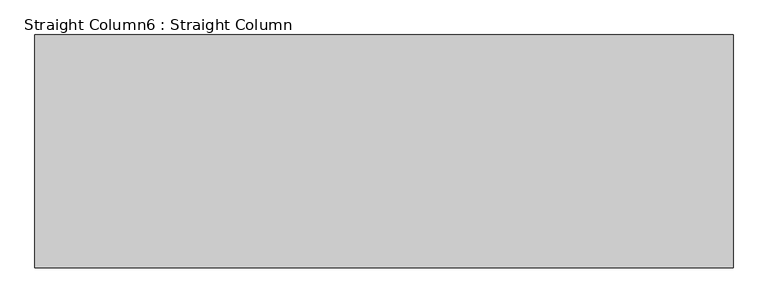
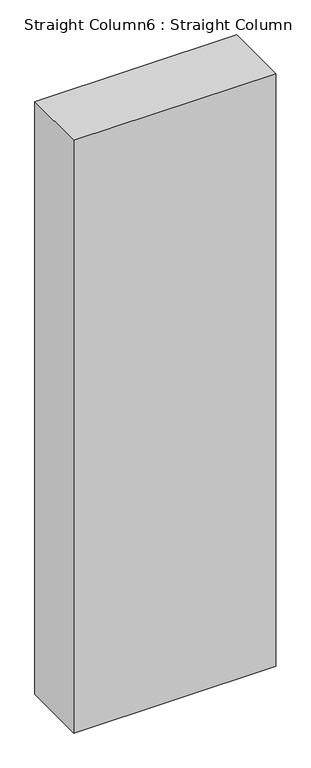
"""IFC4 building model written with IfcOpenShell, lengths in millimetres: column geometry, Straight Column6 : Straight Column."""

import ifcopenshell
import ifcopenshell.guid

model = None  # the IFC model being written
_history = None  # IfcOwnerHistory: only IFC2X3 demands one
_inside = {}  # id of a spatial element -> (the spatial element, [elements in it])
_under = {}  # id of a project, library or spatial element -> (it, [spatial elements below it])
_declared = {}  # id of a project -> (the project, [libraries it declares])
_typed = {}  # id of a type object -> (the type object, [elements of that type])
_made_of = {}  # id of a material, layer set ... -> (it, [elements and type objects made of it])


def new_model(schema):
    """Start an empty IFC model of exactly this schema.

    Asked for "IFC4X3", IfcOpenShell would pick the latest addendum, in which some entities
    have other attributes; the version numbers below select the first issue.
    IFC2X3 requires an IfcOwnerHistory on every rooted entity: one is made here for all.
    """
    global model, _history
    if schema == "IFC4X3":
        model = ifcopenshell.file(schema_version=(4, 3, 0, 0))
    else:
        model = ifcopenshell.file(schema=schema)
    _inside.clear()
    _under.clear()
    _declared.clear()
    _typed.clear()
    _made_of.clear()
    _history = None
    if model.schema == "IFC2X3":
        org = make("IfcOrganization", Name="unknown")
        user = make(
            "IfcPersonAndOrganization",
            ThePerson=make("IfcPerson", FamilyName="unknown"),
            TheOrganization=org,
        )
        app = make(
            "IfcApplication",
            ApplicationDeveloper=org,
            Version="unknown",
            ApplicationFullName="unknown",
            ApplicationIdentifier="unknown",
        )
        _history = make(
            "IfcOwnerHistory",
            OwningUser=user,
            OwningApplication=app,
            ChangeAction="ADDED",
            CreationDate=0,
        )
    return model


def make(cls, **values):
    """One entity of the class cls with the attributes given. An attribute that is None is left unset."""
    return model.create_entity(
        cls, **{name: value for name, value in values.items() if value is not None}
    )


def rooted(cls, **values):
    """An entity with a GlobalId (a new one), such as an element, a storey or a relation."""
    return make(cls, GlobalId=ifcopenshell.guid.new(), OwnerHistory=_history, **values)


def si_unit(unit_type, name, prefix=None):
    """IfcSIUnit, for example si_unit("LENGTHUNIT", "METRE", prefix="MILLI")."""
    return make("IfcSIUnit", UnitType=unit_type, Prefix=prefix, Name=name)


def assignment(units):
    """IfcUnitAssignment: the units of a project."""
    return None if units is None else make("IfcUnitAssignment", Units=units)


def point(xyz):
    """IfcCartesianPoint."""
    return None if xyz is None else make("IfcCartesianPoint", Coordinates=xyz)


def direction(xyz):
    """IfcDirection."""
    return None if xyz is None else make("IfcDirection", DirectionRatios=xyz)


def frame(location, z_axis=None, x_axis=None):
    """IfcAxis2Placement3D, a coordinate frame: its origin and axes. An axis left out is left unset."""
    return make(
        "IfcAxis2Placement3D",
        Location=point(location),
        Axis=direction(z_axis),
        RefDirection=direction(x_axis),
    )


def origin():
    """The frame at (0, 0, 0) with its axes left unset."""
    return frame((0.0, 0.0, 0.0))


def origin_with_axes():
    """The frame at (0, 0, 0) with the z axis (0, 0, 1) and the x axis (1, 0, 0) written out."""
    return frame((0.0, 0.0, 0.0), z_axis=(0.0, 0.0, 1.0), x_axis=(1.0, 0.0, 0.0))


def place(relative_to, where):
    """IfcLocalPlacement: puts the frame where relative to a parent placement (None: the world)."""
    return make(
        "IfcLocalPlacement", PlacementRelTo=relative_to, RelativePlacement=where
    )


def context(
    kind, dimensions, precision=None, world=None, true_north=None, identifier=None
):
    """IfcGeometricRepresentationContext, for example the 3D "Model" context."""
    return make(
        "IfcGeometricRepresentationContext",
        ContextIdentifier=identifier,
        ContextType=kind,
        CoordinateSpaceDimension=dimensions,
        Precision=precision,
        WorldCoordinateSystem=world,
        TrueNorth=true_north,
    )


def project(units=None, contexts=None):
    """IfcProject with its units and contexts."""
    return rooted(
        "IfcProject",
        Name="project",
        RepresentationContexts=contexts,
        UnitsInContext=assignment(units),
    )


def spatial(cls, under=None, at=None, **own):
    """A site, building, storey or space (cls), placed at a placement, below another one or the project."""
    s = rooted(cls, ObjectPlacement=at, **own)
    if under is not None:
        _under.setdefault(under.id(), (under, []))[1].append(s)
    return s


def polyline(points):
    """IfcPolyline through the points."""
    return make("IfcPolyline", Points=[point(p) for p in points])


def outline(outer, holes=None, kind="AREA"):
    """IfcArbitraryClosedProfileDef: a profile drawn as a closed curve; with holes, ...WithVoids."""
    if holes is None:
        return make("IfcArbitraryClosedProfileDef", ProfileType=kind, OuterCurve=outer)
    return make(
        "IfcArbitraryProfileDefWithVoids",
        ProfileType=kind,
        OuterCurve=outer,
        InnerCurves=holes,
    )


def extrude(swept, where, along, depth):
    """IfcExtrudedAreaSolid: the profile swept, set in the frame where, extruded along a direction by depth."""
    return make(
        "IfcExtrudedAreaSolid",
        SweptArea=swept,
        Position=where,
        ExtrudedDirection=direction(along),
        Depth=depth,
    )


def shape(context_of_items, identifier, shape_type, items):
    """IfcShapeRepresentation: the items that make up one representation, for example the "Body"."""
    return make(
        "IfcShapeRepresentation",
        ContextOfItems=context_of_items,
        RepresentationIdentifier=identifier,
        RepresentationType=shape_type,
        Items=items,
    )


def source(mapping_origin, context_of_items, identifier, shape_type, items):
    """IfcRepresentationMap: a shape defined once, which mapped items show again and again."""
    return make(
        "IfcRepresentationMap",
        MappingOrigin=mapping_origin,
        MappedRepresentation=shape(context_of_items, identifier, shape_type, items),
    )


def transform(
    local_origin,
    x_axis=None,
    y_axis=None,
    z_axis=None,
    scale=None,
    scale2=None,
    scale3=None,
    uniform=True,
):
    """IfcCartesianTransformationOperator3D, or its non-uniform kind. x_axis, y_axis, z_axis: its Axis1, 2, 3."""
    if uniform:
        return make(
            "IfcCartesianTransformationOperator3D",
            Axis1=direction(x_axis),
            Axis2=direction(y_axis),
            LocalOrigin=point(local_origin),
            Scale=scale,
            Axis3=direction(z_axis),
        )
    return make(
        "IfcCartesianTransformationOperator3DnonUniform",
        Axis1=direction(x_axis),
        Axis2=direction(y_axis),
        LocalOrigin=point(local_origin),
        Scale=scale,
        Axis3=direction(z_axis),
        Scale2=scale2,
        Scale3=scale3,
    )


def mapped(mapping_source, mapping_target):
    """IfcMappedItem: shows the shape of a source again, moved by a transform."""
    return make(
        "IfcMappedItem", MappingSource=mapping_source, MappingTarget=mapping_target
    )


def made_of(thing, what):
    """Note that an element or type object is made of a material, layer set ...; save() writes the relation."""
    if what is not None:
        _made_of.setdefault(what.id(), (what, []))[1].append(thing)
    return thing


def element(
    cls,
    number,
    at=None,
    inside=None,
    cuts=None,
    type_object=None,
    material=None,
    context=None,
    identifier="Body",
    shape_type=None,
    held_by="IfcProductDefinitionShape",
    body=None,
    shapes=None,
    **own,
):
    """One element of the class cls, such as IfcWall. Its Tag is "e" and its number.

    at: its placement. inside: the storey or other place that contains it. cuts: it is an
    opening in that element (IfcRelVoidsElement). A single representation is given by context,
    identifier, shape_type and body (its items); several are given by shapes. held_by: the class
    of the entity that holds the representations. save() writes the other relations.
    """
    e = rooted(cls, Tag="e%d" % number, ObjectPlacement=at, **own)
    if body is not None:
        shapes = [shape(context, identifier, shape_type, body)]
    if shapes is not None:
        e.Representation = make(held_by, Representations=shapes)
    if inside is not None:
        _inside.setdefault(inside.id(), (inside, []))[1].append(e)
    if cuts is not None:
        rooted(
            "IfcRelVoidsElement", RelatingBuildingElement=cuts, RelatedOpeningElement=e
        )
    if type_object is not None:
        _typed.setdefault(type_object.id(), (type_object, []))[1].append(e)
    return made_of(e, material)


def aggregate(whole, parts):
    """IfcRelAggregates: a whole, such as a stair, and the parts it consists of."""
    return rooted("IfcRelAggregates", RelatingObject=whole, RelatedObjects=parts)


def save(model, path):
    """Write the relations noted so far, then the file.

    IfcRelAggregates (storeys below a building ...), IfcRelContainedInSpatialStructure (elements
    in a storey), IfcRelDefinesByType, IfcRelAssociatesMaterial and IfcRelDeclares: one each for
    every whole, place, type object, material and project.
    """
    for whole, parts in _under.values():
        aggregate(whole, parts)
    for where, things in _inside.values():
        rooted(
            "IfcRelContainedInSpatialStructure",
            RelatedElements=things,
            RelatingStructure=where,
        )
    for kind, things in _typed.values():
        rooted("IfcRelDefinesByType", RelatedObjects=things, RelatingType=kind)
    for what, things in _made_of.values():
        rooted("IfcRelAssociatesMaterial", RelatedObjects=things, RelatingMaterial=what)
    for by, libraries in _declared.values():
        rooted("IfcRelDeclares", RelatingContext=by, RelatedDefinitions=libraries)
    model.write(path)


def straight_column6_straight_column_405299b1(model_context):
    return source(origin(), model_context, "Body", "SweptSolid", [
        extrude(outline(polyline([(11514.1531486, 624.0475818), (11514.1531486, 270.0985734), (10452.114506, 270.0985734), (10452.114506, 624.0475818), (11514.1531486, 624.0475818)])), origin_with_axes(), (0.0, 0.0, 1.0), 3295.65),
    ])


if __name__ == "__main__":
    model = new_model("IFC4")
    model_context = context("Model", 3, world=origin())
    ifc_project = project(units=[si_unit("LENGTHUNIT", "METRE", prefix="MILLI")], contexts=[model_context])
    site = spatial("IfcSite", under=ifc_project)
    building = spatial("IfcBuilding", under=site)
    placement = place(None, origin())
    straight_column6_straight_column_shape = straight_column6_straight_column_405299b1(model_context)
    element("IfcColumn", 1, ObjectType="Straight Column6 : Straight Column", at=placement, inside=building, context=model_context, shape_type="MappedRepresentation", body=[
        mapped(straight_column6_straight_column_shape, transform((0.0, 0.0, 0.0), x_axis=(1.0, 0.0, 0.0), y_axis=(0.0, 1.0, 0.0), z_axis=(0.0, 0.0, 1.0))),
    ])
    save(model, "model.ifc")
